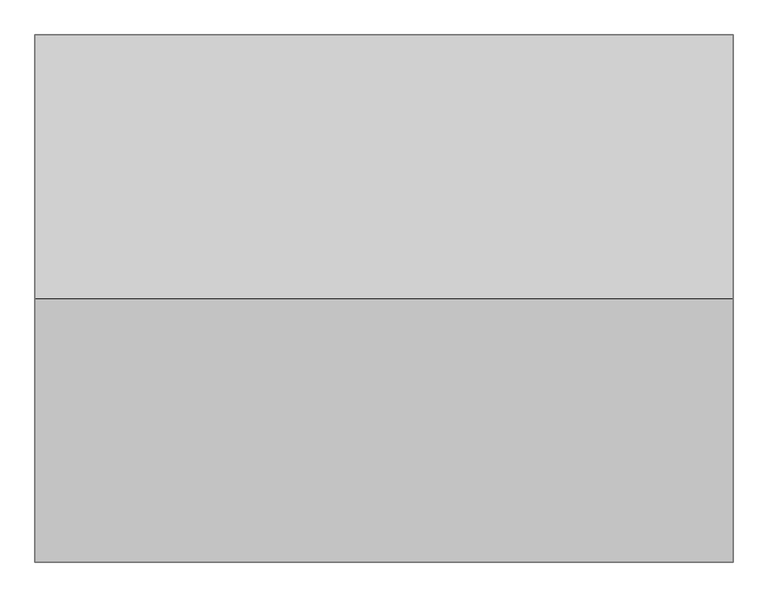
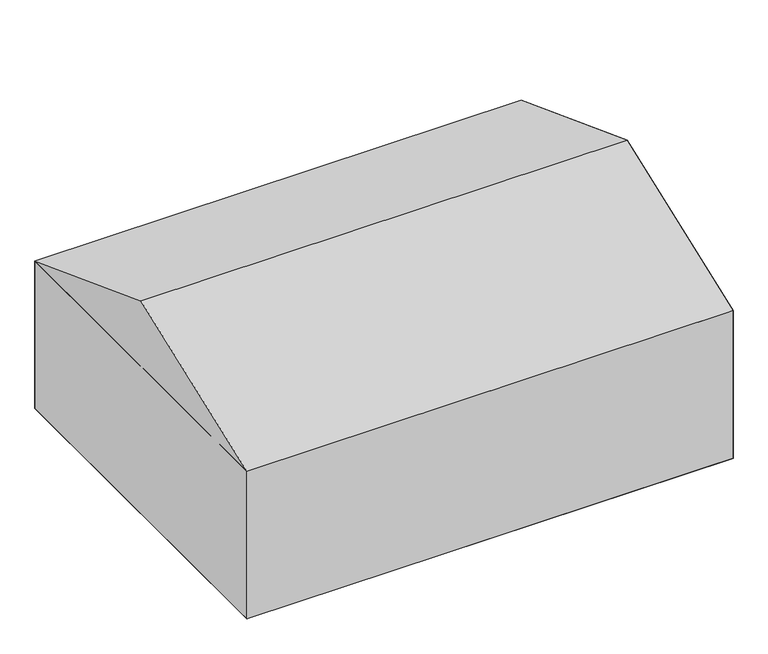
"""IFC4 building model written with IfcOpenShell, lengths in millimetres: geographic element geometry."""

from ifc_helpers import new_model, si_unit, origin, place, context, project, spatial, triangles, source, transform, mapped, element, save


def geographic_element_d7a6b46d(model_context):
    return source(origin(), model_context, "Body", "Tessellation", [
        triangles([(325.5263875, 8274.8303787, 3263.8999031), (325.5263875, 595.7133113, 3263.8999031), (325.5263875, 4435.2717178, 4705.35), (10487.2063843, 4435.2717178, 4705.35), (10487.2063843, 8274.8303787, 3263.8999031), (10487.2063843, 595.7133113, 3263.8999031), (10487.2063843, 8274.8303787, 0.0), (325.5263875, 595.7133113, 0.0), (325.5263875, 8274.8303787, 0.0), (10487.2063843, 595.7133113, 0.0)], [[1, 2, 3], [4, 1, 3], [1, 4, 5], [5, 4, 6], [6, 3, 2], [3, 6, 4], [5, 2, 1], [2, 5, 6], [6, 1, 2], [1, 6, 5], [7, 8, 9], [8, 7, 10], [1, 8, 2], [8, 1, 9], [6, 8, 10], [8, 6, 2], [1, 7, 9], [7, 1, 5], [7, 6, 10], [6, 7, 5]], closed=False),
    ])


if __name__ == "__main__":
    model = new_model("IFC4")
    model_context = context("Model", 3, world=origin())
    ifc_project = project(units=[si_unit("LENGTHUNIT", "METRE", prefix="MILLI")], contexts=[model_context])
    site = spatial("IfcSite", under=ifc_project)
    building = spatial("IfcBuilding", under=site)
    placement = place(None, origin())
    geographic_element_shape = geographic_element_d7a6b46d(model_context)
    element("IfcGeographicElement", 1, at=placement, inside=building, context=model_context, shape_type="MappedRepresentation", body=[
        mapped(geographic_element_shape, transform((0.0, 0.0, 0.0), x_axis=(1.0, 0.0, 0.0), y_axis=(0.0, 1.0, 0.0), z_axis=(0.0, 0.0, 1.0))),
    ])
    save(model, "model.ifc")
